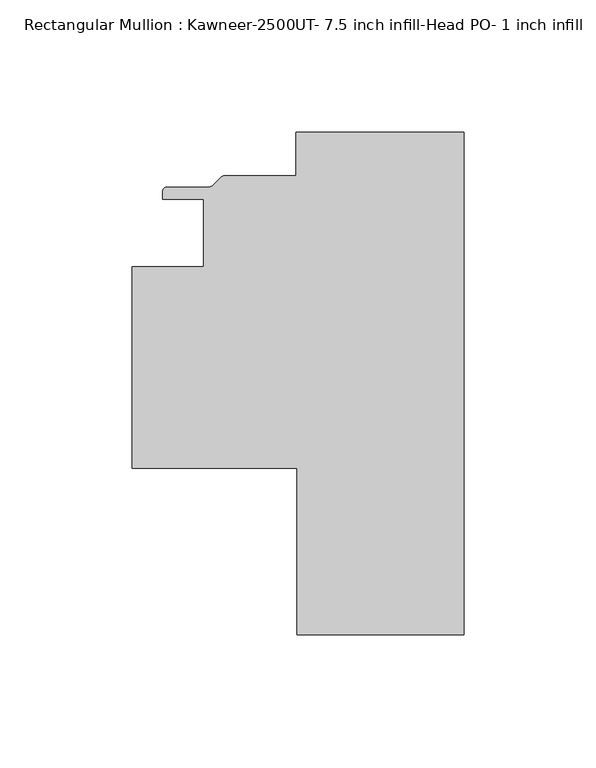
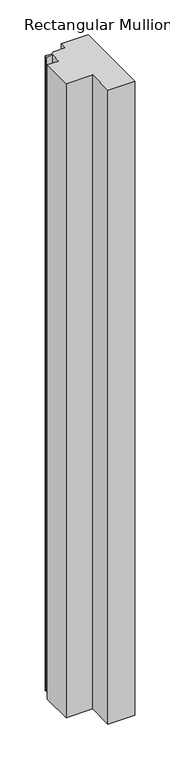
"""IFC4 building model written with IfcOpenShell, lengths in millimetres: member geometry, Rectangular Mullion : Kawneer-2500UT- 7.5 inch infill-Head PO- 1 inch infill."""

from ifc_helpers import new_model, si_unit, point, frame, frame_2d, origin, place, context, project, spatial, polyline, circle_curve, trimmed, segment, composite_curve, outline, extrude, source, transform, mapped, element, save


def rectangular_mullion_kawneer_2500ut_7_5_inch_infill_head_po_1_5cb6a1db(model_context):
    return source(origin(), model_context, "Body", "SweptSolid", [
        extrude(outline(composite_curve([segment(polyline([(-63.119, -189.992), (-63.119, -127.0007939), (-125.4087917, -127.0007939), (-125.4087917, -50.8007939), (-98.4563451, -50.8007939), (-98.4563451, -25.400794), (-113.9224413, -25.400794), (-113.9224413, -22.4797939)]), True, "CONTINUOUS"), segment(trimmed(circle_curve(frame_2d((-112.1444413, -22.4797939)), 1.778), [point((-113.9224413, -22.4797939))], [point((-112.1444413, -20.7017939))], False, "CARTESIAN"), True, "CONTINUOUS"), segment(polyline([(-112.1444413, -20.7017939), (-96.2764052, -20.7017939)]), True, "CONTINUOUS"), segment(trimmed(circle_curve(frame_2d((-96.2764052, -18.9237939)), 1.778), [point((-96.2764052, -20.7017939))], [point((-95.0191693, -20.1810297))], True, "CARTESIAN"), True, "CONTINUOUS"), segment(polyline([(-95.0191693, -20.1810297), (-91.7934976, -16.955358)]), True, "CONTINUOUS"), segment(trimmed(circle_curve(frame_2d((-90.5362618, -18.2125939)), 1.778), [point((-91.7934976, -16.955358))], [point((-90.5362618, -16.4345939))], False, "CARTESIAN"), True, "CONTINUOUS"), segment(polyline([(-90.5362618, -16.4345939), (-63.5, -16.4345939), (-63.5, 0.0), (0.0, 0.0), (0.0, -189.992), (-63.119, -189.992)]), True, "CONTINUOUS")], self_intersect=False)), frame((0.0, 0.0, -1577.9824166), z_axis=(0.0, 0.0, 1.0), x_axis=(1.0, 0.0, 0.0)), (0.0, 0.0, 1.0), 1577.9824166),
    ])


if __name__ == "__main__":
    model = new_model("IFC4")
    model_context = context("Model", 3, world=origin())
    ifc_project = project(units=[si_unit("LENGTHUNIT", "METRE", prefix="MILLI")], contexts=[model_context])
    site = spatial("IfcSite", under=ifc_project)
    building = spatial("IfcBuilding", under=site)
    placement = place(None, origin())
    rectangular_mullion_kawneer_2500ut_7_5_inch_infill_head_po_1_shape = rectangular_mullion_kawneer_2500ut_7_5_inch_infill_head_po_1_5cb6a1db(model_context)
    element("IfcMember", 1, ObjectType="Rectangular Mullion : Kawneer-2500UT- 7.5 inch infill-Head PO- 1 inch infill", at=placement, inside=building, context=model_context, shape_type="MappedRepresentation", body=[
        mapped(rectangular_mullion_kawneer_2500ut_7_5_inch_infill_head_po_1_shape, transform((0.0, 0.0, 0.0), x_axis=(1.0, 0.0, 0.0), y_axis=(0.0, 1.0, 0.0), z_axis=(0.0, 0.0, 1.0))),
    ])
    save(model, "model.ifc")
